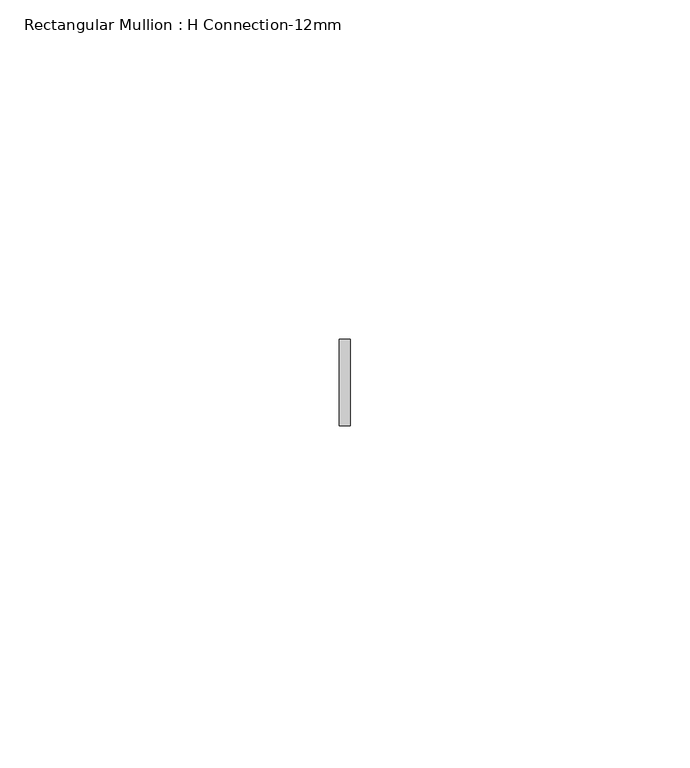
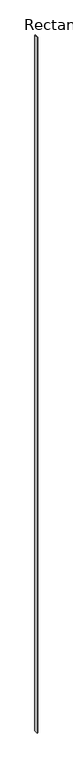
"""IFC4 building model written with IfcOpenShell, lengths in millimetres: member geometry, Rectangular Mullion : H Connection-12mm."""

from ifc_helpers import new_model, si_unit, frame, origin, place, context, project, spatial, polyline, outline, extrude, source, transform, mapped, element, save


def rectangular_mullion_h_connection_12mm_27473c7a(model_context):
    return source(origin(), model_context, "Body", "SweptSolid", [
        extrude(outline(polyline([(0.79375, 6.35), (0.79375, -6.35), (-0.79375, -6.35), (-0.79375, 6.35), (0.79375, 6.35)])), frame((0.0, 0.0, -2339.4622278), z_axis=(0.0, 0.0, 1.0), x_axis=(1.0, 0.0, 0.0)), (0.0, 0.0, 1.0), 2339.4622278),
    ])


if __name__ == "__main__":
    model = new_model("IFC4")
    model_context = context("Model", 3, world=origin())
    ifc_project = project(units=[si_unit("LENGTHUNIT", "METRE", prefix="MILLI")], contexts=[model_context])
    site = spatial("IfcSite", under=ifc_project)
    building = spatial("IfcBuilding", under=site)
    placement = place(None, origin())
    rectangular_mullion_h_connection_12mm_shape = rectangular_mullion_h_connection_12mm_27473c7a(model_context)
    element("IfcMember", 1, ObjectType="Rectangular Mullion : H Connection-12mm", at=placement, inside=building, context=model_context, shape_type="MappedRepresentation", body=[
        mapped(rectangular_mullion_h_connection_12mm_shape, transform((0.0, 0.0, 0.0), x_axis=(1.0, 0.0, 0.0), y_axis=(0.0, 1.0, 0.0), z_axis=(0.0, 0.0, 1.0))),
    ])
    save(model, "model.ifc")
